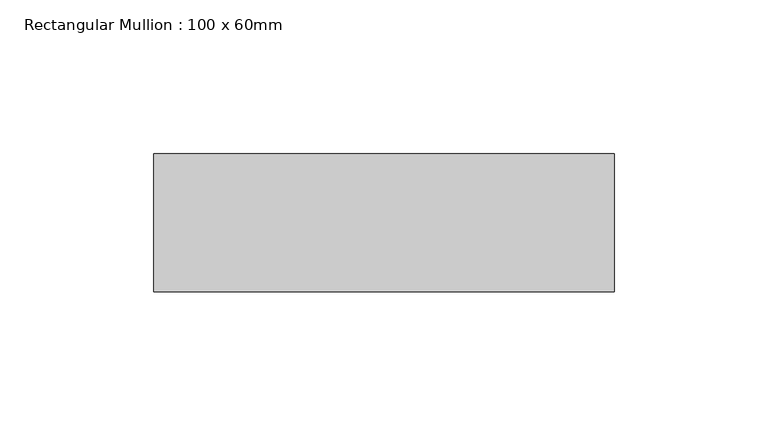
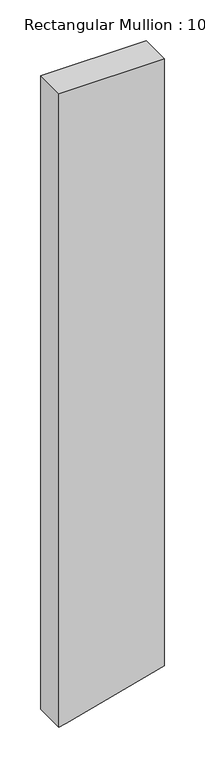
"""IFC4 building model written with IfcOpenShell, lengths in millimetres: member geometry, Rectangular Mullion : 100 x 60mm."""

from ifc_helpers import new_model, si_unit, frame, origin, place, context, project, spatial, polyline, outline, extrude, source, transform, mapped, element, save


def rectangular_mullion_100_x_60mm_5d1d4868(model_context):
    return source(origin(), model_context, "Body", "SweptSolid", [
        extrude(outline(polyline([(0.0, 75.0), (0.0, -75.0), (-952.9819279, -75.0), (-950.223327, -64.7047613), (-912.789549, 75.0), (0.0, 75.0)])), frame((0.0, -30.0, 0.0), z_axis=(0.0, 1.0, 0.0), x_axis=(0.0, 0.0, 1.0)), (0.0, 0.0, 1.0), 45.0),
    ])


if __name__ == "__main__":
    model = new_model("IFC4")
    model_context = context("Model", 3, world=origin())
    ifc_project = project(units=[si_unit("LENGTHUNIT", "METRE", prefix="MILLI")], contexts=[model_context])
    site = spatial("IfcSite", under=ifc_project)
    building = spatial("IfcBuilding", under=site)
    placement = place(None, origin())
    rectangular_mullion_100_x_60mm_shape = rectangular_mullion_100_x_60mm_5d1d4868(model_context)
    element("IfcMember", 1, ObjectType="Rectangular Mullion : 100 x 60mm", at=placement, inside=building, context=model_context, shape_type="MappedRepresentation", body=[
        mapped(rectangular_mullion_100_x_60mm_shape, transform((0.0, 0.0, 0.0), x_axis=(1.0, 0.0, 0.0), y_axis=(0.0, 1.0, 0.0), z_axis=(0.0, 0.0, 1.0))),
    ])
    save(model, "model.ifc")
